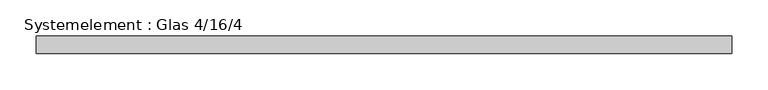
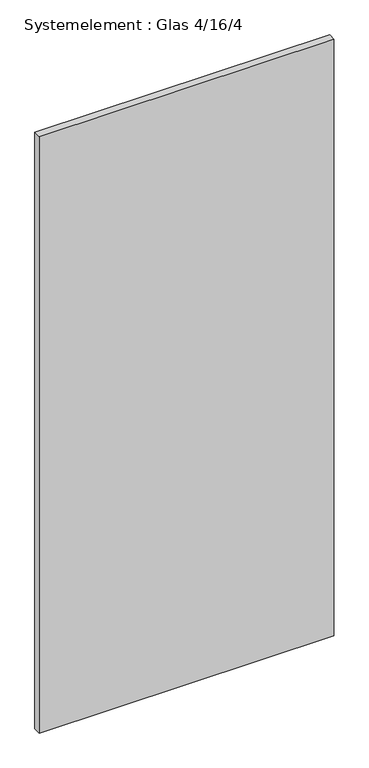
"""IFC4 building model written with IfcOpenShell, lengths in millimetres: plate geometry, Systemelement : Glas 4/16/4."""

from ifc_helpers import new_model, si_unit, origin, origin_with_axes, place, context, project, spatial, polyline, outline, extrude, source, transform, mapped, element, save


def systemelement_glas_4_16_4_de1a400d(model_context):
    return source(origin(), model_context, "Body", "SweptSolid", [
        extrude(outline(polyline([(477.857143, -12.0), (-477.857143, -12.0), (-477.857143, 12.0), (477.857143, 12.0), (477.857143, -12.0)])), origin_with_axes(), (0.0, 0.0, 1.0), 2045.0),
    ])


if __name__ == "__main__":
    model = new_model("IFC4")
    model_context = context("Model", 3, world=origin())
    ifc_project = project(units=[si_unit("LENGTHUNIT", "METRE", prefix="MILLI")], contexts=[model_context])
    site = spatial("IfcSite", under=ifc_project)
    building = spatial("IfcBuilding", under=site)
    placement = place(None, origin())
    systemelement_glas_4_16_4_shape = systemelement_glas_4_16_4_de1a400d(model_context)
    element("IfcPlate", 1, ObjectType="Systemelement : Glas 4/16/4", at=placement, inside=building, context=model_context, shape_type="MappedRepresentation", body=[
        mapped(systemelement_glas_4_16_4_shape, transform((0.0, 0.0, 0.0), x_axis=(1.0, 0.0, 0.0), y_axis=(0.0, 1.0, 0.0), z_axis=(0.0, 0.0, 1.0))),
    ])
    save(model, "model.ifc")
